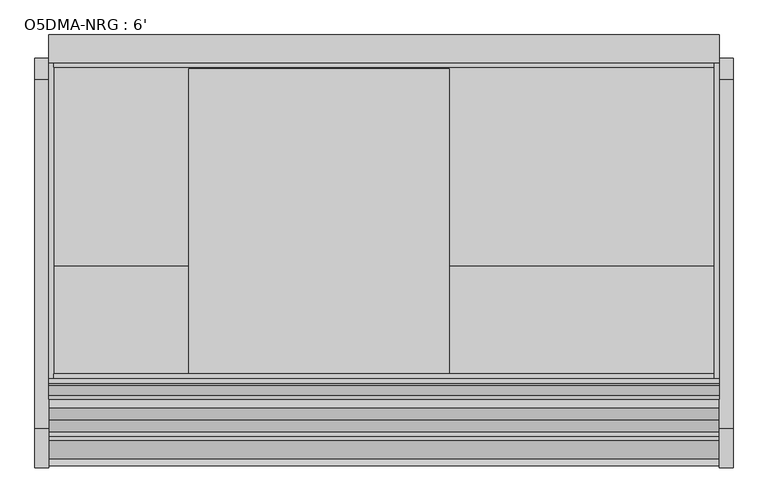
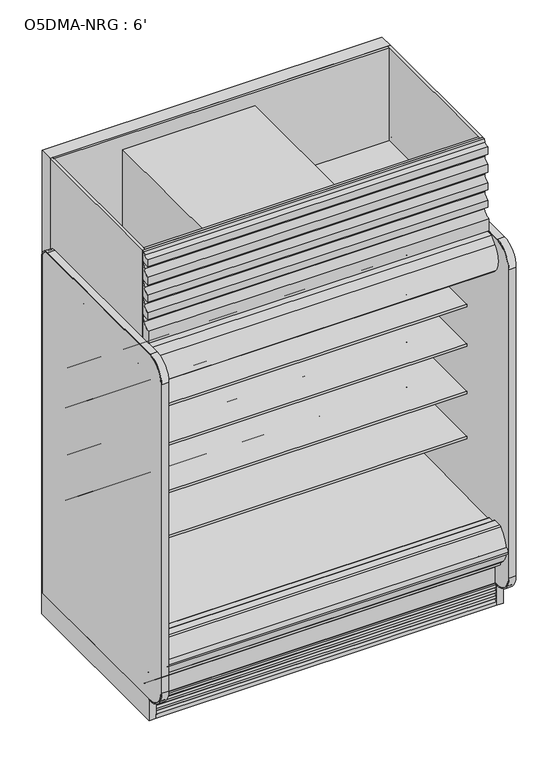
"""IFC4 building model written with IfcOpenShell, lengths in millimetres: proxy geometry, O5DMA-NRG : 6'."""

from ifc_helpers import new_model, si_unit, point, frame, frame_2d, origin, origin_with_axes, place, context, project, spatial, polyline, circle_curve, trimmed, segment, composite_curve, outline, extrude, source, transform, mapped, element, save
from ifc_brep_helpers import plane_surface, cylinder_surface, revolved_surface, advanced_brep


def o5dma_nrg_6_f7cb6055(model_context):
    return source(origin(), model_context, "Body", "SolidModel", [
        extrude(outline(composite_curve([segment(polyline([(-1263.6866217, 2085.9118693), (-1318.6996994, 2085.9118693), (-1318.6996994, 2154.4143683)]), True, "CONTINUOUS"), segment(trimmed(circle_curve(frame_2d((-1319.6860573, 2197.5880723)), 43.1849699), [point((-1318.6996994, 2154.4143683))], [point((-1278.4754826, 2184.6795423))], True, "CARTESIAN"), True, "CONTINUOUS"), segment(polyline([(-1278.4754826, 2184.6795423), (-1268.454686, 2220.5791394), (-1302.3579387, 2213.7016488), (-1308.8711502, 2213.7016488), (-1308.8711502, 2254.1281122)]), True, "CONTINUOUS"), segment(trimmed(circle_curve(frame_2d((-1322.8567475, 2297.2085177)), 45.2936891), [point((-1308.8711502, 2254.1281122))], [point((-1279.6211841, 2283.7102095))], True, "CARTESIAN"), True, "CONTINUOUS"), segment(polyline([(-1279.6211841, 2283.7102095), (-1268.454686, 2319.2947996), (-1302.3579387, 2312.4173089), (-1308.7129688, 2312.4173089), (-1308.7129688, 2352.8952074)]), True, "CONTINUOUS"), segment(trimmed(circle_curve(frame_2d((-1323.0244337, 2396.1573595)), 45.5678816), [point((-1308.7129688, 2352.8952074))], [point((-1279.5752621, 2382.4241398))], True, "CARTESIAN"), True, "CONTINUOUS"), segment(polyline([(-1279.5752621, 2382.4241398), (-1268.454686, 2417.6074274), (-1302.3579387, 2411.1335648), (-1308.7129688, 2411.1335648), (-1308.7129688, 2456.6217182)]), True, "CONTINUOUS"), segment(trimmed(circle_curve(frame_2d((-1323.0244337, 2499.8838703)), 45.5678816), [point((-1308.7129688, 2456.6217182))], [point((-1279.5752621, 2486.1506506))], True, "CARTESIAN"), True, "CONTINUOUS"), segment(polyline([(-1279.5752621, 2486.1506506), (-1268.454686, 2521.3339382), (-1302.3579387, 2514.8600756), (-1308.7129688, 2514.8600756), (-1308.7129688, 2555.3379741)]), True, "CONTINUOUS"), segment(trimmed(circle_curve(frame_2d((-1306.8077518, 2590.2849342)), 34.9988553), [point((-1308.7129688, 2555.3379741))], [point((-1281.9927789, 2565.6042334))], True, "CARTESIAN"), True, "CONTINUOUS"), segment(polyline([(-1281.9927789, 2565.6042334), (-1277.4161637, 2582.0), (-1263.6866217, 2582.0), (-1263.6866217, 2085.9118693)]), True, "CONTINUOUS")], self_intersect=False)), frame((0.0, 0.0, 0.0), z_axis=(1.0, 0.0, 0.0), x_axis=(0.0, 1.0, 0.0)), (0.0, 0.0, 1.0), 1828.8),
        extrude(outline(polyline([(245.4971536, -595.3134422), (245.4971536, -709.6134422), (67.6971536, -709.6134422), (67.6971536, -595.3134422), (245.4971536, -595.3134422)])), frame((0.0, 0.0, 68.5310382), z_axis=(0.0, 0.0, 1.0), x_axis=(1.0, 0.0, 0.0)), (0.0, 0.0, 1.0), 6.35),
        extrude(outline(polyline([(1828.8, -325.3089273), (1828.8, -401.5089273), (0.0, -401.5089273), (0.0, -325.3089273), (1828.8, -325.3089273)])), frame((0.0, 0.0, 206.450819), z_axis=(0.0, 0.0, 1.0), x_axis=(1.0, 0.0, 0.0)), (0.0, 0.0, 1.0), 2375.549181),
        extrude(outline(polyline([(-401.5089273, 2053.8264246), (-955.9036792, 2053.8264246), (-955.9036792, 2075.2), (-1263.6866217, 2075.2), (-1263.6866217, 2582.0), (-401.5089273, 2582.0), (-401.5089273, 2053.8264246)])), frame((1816.1, 0.0, 0.0), z_axis=(1.0, 0.0, 0.0), x_axis=(0.0, 1.0, 0.0)), (0.0, 0.0, 1.0), 12.7),
        extrude(outline(polyline([(1816.1, -401.5089273), (1816.1, -414.2089273), (12.7, -414.2089273), (12.7, -401.5089273), (1816.1, -401.5089273)])), frame((0.0, 0.0, 2053.8264246), z_axis=(0.0, 0.0, 1.0), x_axis=(1.0, 0.0, 0.0)), (0.0, 0.0, 1.0), 528.1735754),
        extrude(outline(polyline([(1816.1, -1249.5614572), (1816.1, -1263.6866217), (12.7, -1263.6866217), (12.7, -1249.5614572), (1816.1, -1249.5614572)])), frame((0.0, 0.0, 2075.2), z_axis=(0.0, 0.0, 1.0), x_axis=(1.0, 0.0, 0.0)), (0.0, 0.0, 1.0), 506.8),
        extrude(outline(polyline([(-401.5089273, 2053.8264246), (-955.9242099, 2053.8264246), (-955.9242099, 2075.2), (-1263.6866217, 2075.2), (-1263.6866217, 2582.0), (-401.5089273, 2582.0), (-401.5089273, 2053.8264246)])), frame((0.0, 0.0, 0.0), z_axis=(1.0, 0.0, 0.0), x_axis=(0.0, 1.0, 0.0)), (0.0, 0.0, 1.0), 12.7),
        extrude(outline(composite_curve([segment(polyline([(-504.9331995, 794.189381), (-504.9331995, 719.0883547), (-528.313746, 719.0883547)]), True, "CONTINUOUS"), segment(trimmed(circle_curve(frame_2d((-528.7455821, 744.4846835)), 25.4), [point((-528.313746, 719.0883547))], [point((-544.7229383, 724.7392008))], False, "CARTESIAN"), True, "CONTINUOUS"), segment(polyline([(-544.7229383, 724.7392008), (-562.5749995, 739.1844663)]), True, "CONTINUOUS"), segment(trimmed(circle_curve(frame_2d((-602.5183901, 689.8207596)), 63.5), [point((-562.5749995, 739.1844663))], [point((-594.6205089, 752.8276915))], True, "CARTESIAN"), True, "CONTINUOUS"), segment(polyline([(-594.6205089, 752.8276915), (-869.1842482, 776.5248289), (-870.6730247, 779.965381), (-1114.4144075, 779.965381), (-1114.4144075, 794.189381), (-504.9331995, 794.189381)]), True, "CONTINUOUS")], self_intersect=False)), frame((0.0, 0.0, 0.0), z_axis=(1.0, 0.0, 0.0), x_axis=(0.0, 1.0, 0.0)), (0.0, 0.0, 1.0), 1828.8),
        extrude(outline(composite_curve([segment(polyline([(-504.9331995, 1049.544493), (-504.9331995, 974.4434667), (-528.313746, 974.4434667)]), True, "CONTINUOUS"), segment(trimmed(circle_curve(frame_2d((-528.7455821, 999.8397955)), 25.4), [point((-528.313746, 974.4434667))], [point((-544.7229383, 980.0943128))], False, "CARTESIAN"), True, "CONTINUOUS"), segment(polyline([(-544.7229383, 980.0943128), (-562.5749995, 994.5395783)]), True, "CONTINUOUS"), segment(trimmed(circle_curve(frame_2d((-602.5183901, 945.1758716)), 63.5), [point((-562.5749995, 994.5395783))], [point((-594.6205089, 1008.1828035))], True, "CARTESIAN"), True, "CONTINUOUS"), segment(polyline([(-594.6205089, 1008.1828035), (-869.1842482, 1031.8799409), (-870.6730247, 1035.320493), (-1114.4144075, 1035.320493), (-1114.4144075, 1049.544493), (-504.9331995, 1049.544493)]), True, "CONTINUOUS")], self_intersect=False)), frame((0.0, 0.0, 0.0), z_axis=(1.0, 0.0, 0.0), x_axis=(0.0, 1.0, 0.0)), (0.0, 0.0, 1.0), 1828.8),
        extrude(outline(composite_curve([segment(polyline([(-504.9331995, 1319.5585779), (-504.9331995, 1244.4575515), (-528.313746, 1244.4575515)]), True, "CONTINUOUS"), segment(trimmed(circle_curve(frame_2d((-528.7455821, 1269.8538803)), 25.4), [point((-528.313746, 1244.4575515))], [point((-544.7229383, 1250.1083976))], False, "CARTESIAN"), True, "CONTINUOUS"), segment(polyline([(-544.7229383, 1250.1083976), (-562.5749995, 1264.5536632)]), True, "CONTINUOUS"), segment(trimmed(circle_curve(frame_2d((-602.5183901, 1215.1899564)), 63.5), [point((-562.5749995, 1264.5536632))], [point((-594.6205089, 1278.1968884))], True, "CARTESIAN"), True, "CONTINUOUS"), segment(polyline([(-594.6205089, 1278.1968884), (-869.1842482, 1301.8940258), (-870.6730247, 1305.3345779), (-1114.4144075, 1305.3345779), (-1114.4144075, 1319.5585779), (-504.9331995, 1319.5585779)]), True, "CONTINUOUS")], self_intersect=False)), frame((0.0, 0.0, 0.0), z_axis=(1.0, 0.0, 0.0), x_axis=(0.0, 1.0, 0.0)), (0.0, 0.0, 1.0), 1828.8),
        extrude(outline(polyline([(-819.1925954, 1873.7130953), (-820.7483185, 1873.3970543), (-824.056726, 1889.6828121), (-824.056726, 1949.6779319), (-754.206726, 1949.6779319), (-754.206726, 1948.4203121), (-766.112976, 1948.4203121), (-801.831726, 1924.6078121), (-801.831726, 1948.4203121), (-822.469226, 1948.4203121), (-822.469226, 1889.8424301), (-819.1925954, 1873.7130953)])), frame((0.0, 0.0, 0.0), z_axis=(1.0, 0.0, 0.0), x_axis=(0.0, 1.0, 0.0)), (0.0, 0.0, 1.0), 1828.8),
        extrude(outline(composite_curve([segment(trimmed(circle_curve(frame_2d((-774.1696558, 1920.6997366)), 14.2875), [point((-788.4571558, 1920.6997366))], [point((-759.8821558, 1920.6997366))], False, "CARTESIAN"), True, "CONTINUOUS"), segment(trimmed(circle_curve(frame_2d((-774.1696558, 1920.6997366)), 14.2875), [point((-759.8821558, 1920.6997366))], [point((-788.4571558, 1920.6997366))], False, "CARTESIAN"), True, "CONTINUOUS")], self_intersect=False)), frame((0.0, 0.0, 0.0), z_axis=(1.0, 0.0, 0.0), x_axis=(0.0, 1.0, 0.0)), (0.0, 0.0, 1.0), 1828.8),
        extrude(outline(polyline([(0.0, -6.35), (0.0, 0.0), (1828.8, 0.0), (1828.8, -6.35), (0.0, -6.35)])), frame((1828.8, -524.3976265, 1670.2859362), z_axis=(0.0, -0.580702955710887, 0.8141155183563569), x_axis=(-1.0, 0.0, 0.0)), (0.0, 0.0, 1.0), 300.455534),
        extrude(outline(composite_curve([segment(trimmed(circle_curve(frame_2d((-507.6345065, 1656.5706649)), 2.8575), [point((-504.9331995, 1655.6388672))], [point((-506.5179923, 1653.9403223))], False, "CARTESIAN"), True, "CONTINUOUS"), segment(polyline([(-506.5179923, 1653.9403223), (-515.6142737, 1650.0791799)]), True, "CONTINUOUS"), segment(trimmed(circle_curve(frame_2d((-516.7307879, 1652.7095225)), 2.8575), [point((-515.6142737, 1650.0791799))], [point((-519.2768391, 1651.4122447))], False, "CARTESIAN"), True, "CONTINUOUS"), segment(polyline([(-519.2768391, 1651.4122447), (-527.2046481, 1666.971446)]), True, "CONTINUOUS"), segment(trimmed(circle_curve(frame_2d((-526.0730698, 1667.5480139)), 1.27), [point((-527.2046481, 1666.971446))], [point((-526.6496378, 1668.6795922))], False, "CARTESIAN"), True, "CONTINUOUS"), segment(polyline([(-526.6496378, 1668.6795922), (-519.227993, 1673.9734), (-507.4434516, 1657.4520824), (-506.0470065, 1656.5706649), (-506.0470065, 1694.6699147), (-504.9331995, 1694.6699147), (-504.9331995, 1655.6388672)]), True, "CONTINUOUS")], self_intersect=False)), frame((0.0, 0.0, 0.0), z_axis=(1.0, 0.0, 0.0), x_axis=(0.0, 1.0, 0.0)), (0.0, 0.0, 1.0), 1828.8),
        extrude(outline(composite_curve([segment(polyline([(-696.8626604, 1923.0080191), (-693.7034096, 1918.5789129), (-698.8730432, 1914.8914491), (-701.4750016, 1914.0888217)]), True, "CONTINUOUS"), segment(trimmed(circle_curve(frame_2d((-702.1352778, 1916.2293059)), 2.2400083), [point((-701.4750016, 1914.0888217))], [point((-703.3202525, 1914.3283924))], False, "CARTESIAN"), True, "CONTINUOUS"), segment(polyline([(-703.3202525, 1914.3283924), (-727.3498745, 1948.0166799), (-743.2248745, 1948.0166799), (-743.2248745, 1949.6779319), (-726.9748589, 1949.6779319), (-714.1682492, 1931.7237274), (-704.480356, 1938.6340345)]), True, "CONTINUOUS"), segment(trimmed(circle_curve(frame_2d((-703.7428632, 1937.6001078)), 1.27), [point((-704.480356, 1938.6340345))], [point((-702.7089365, 1938.3376005))], False, "CARTESIAN"), True, "CONTINUOUS"), segment(polyline([(-702.7089365, 1938.3376005), (-693.4902771, 1925.4135167), (-696.8626604, 1923.0080191)]), True, "CONTINUOUS")], self_intersect=False)), frame((0.0, 0.0, 0.0), z_axis=(1.0, 0.0, 0.0), x_axis=(0.0, 1.0, 0.0)), (0.0, 0.0, 1.0), 1828.8),
        extrude(outline(composite_curve([segment(trimmed(circle_curve(frame_2d((368.3, 1749.2090336)), 12.7), [point((368.3, 1761.9090336))], [point((368.3, 1736.5090336))], False, "CARTESIAN"), True, "CONTINUOUS"), segment(trimmed(circle_curve(frame_2d((368.3, 1749.2090336)), 12.7), [point((368.3, 1736.5090336))], [point((368.3, 1761.9090336))], False, "CARTESIAN"), True, "CONTINUOUS")], self_intersect=False)), frame((0.0, -447.5561252, 0.0), z_axis=(0.0, 1.0, 0.0), x_axis=(0.0, 0.0, 1.0)), (0.0, 0.0, 1.0), 52.3971979),
        extrude(outline(composite_curve([segment(trimmed(circle_curve(frame_2d((368.3, 1710.7972115)), 9.525), [point((368.3, 1720.3222115))], [point((368.3, 1701.2722115))], False, "CARTESIAN"), True, "CONTINUOUS"), segment(trimmed(circle_curve(frame_2d((368.3, 1710.7972115)), 9.525), [point((368.3, 1701.2722115))], [point((368.3, 1720.3222115))], False, "CARTESIAN"), True, "CONTINUOUS")], self_intersect=False)), frame((0.0, -447.5561252, 0.0), z_axis=(0.0, 1.0, 0.0), x_axis=(0.0, 0.0, 1.0)), (0.0, 0.0, 1.0), 52.3971979),
        extrude(outline(composite_curve([segment(polyline([(-451.7851762, 2003.6360246), (-451.7851762, 404.745884), (-504.9331995, 404.745884), (-504.9331995, 1926.7316344)]), True, "CONTINUOUS"), segment(trimmed(circle_curve(frame_2d((-530.2144075, 1924.2779595)), 25.4), [point((-504.9331995, 1926.7316344))], [point((-530.1770065, 1949.6779319))], True, "CARTESIAN"), True, "CONTINUOUS"), segment(polyline([(-530.1770065, 1949.6779319), (-1114.9745421, 1949.6779319), (-1114.9745421, 1914.2218291)]), True, "CONTINUOUS"), segment(trimmed(circle_curve(frame_2d((-1117.196833, 1914.2218291)), 2.2222909), [point((-1114.9745421, 1914.2218291))], [point((-1117.196833, 1911.9995382))], False, "CARTESIAN"), True, "CONTINUOUS"), segment(polyline([(-1117.196833, 1911.9995382), (-1126.6611644, 1911.9995382)]), True, "CONTINUOUS"), segment(trimmed(circle_curve(frame_2d((-1126.6611644, 1912.3170382)), 0.3175), [point((-1126.6611644, 1911.9995382))], [point((-1126.6611644, 1912.6345382))], False, "CARTESIAN"), True, "CONTINUOUS"), segment(polyline([(-1126.6611644, 1912.6345382), (-1117.1970421, 1912.6345382)]), True, "CONTINUOUS"), segment(trimmed(circle_curve(frame_2d((-1117.1970421, 1914.2220382)), 1.5875), [point((-1117.1970421, 1912.6345382))], [point((-1115.6095421, 1914.2220382))], True, "CARTESIAN"), True, "CONTINUOUS"), segment(polyline([(-1115.6095421, 1914.2220382), (-1115.6095421, 1942.4487846), (-1220.1998155, 1942.4487846), (-1220.1998155, 1914.2220382)]), True, "CONTINUOUS"), segment(trimmed(circle_curve(frame_2d((-1218.6123155, 1914.2220382)), 1.5875), [point((-1220.1998155, 1914.2220382))], [point((-1218.6123155, 1912.6345382))], True, "CARTESIAN"), True, "CONTINUOUS"), segment(polyline([(-1218.6123155, 1912.6345382), (-1209.9959099, 1912.6345382)]), True, "CONTINUOUS"), segment(trimmed(circle_curve(frame_2d((-1209.9959099, 1912.3170382)), 0.3175), [point((-1209.9959099, 1912.6345382))], [point((-1209.9959099, 1911.9995382))], False, "CARTESIAN"), True, "CONTINUOUS"), segment(polyline([(-1209.9959099, 1911.9995382), (-1218.6125246, 1911.9995382)]), True, "CONTINUOUS"), segment(trimmed(circle_curve(frame_2d((-1218.6125246, 1914.2218291)), 2.2222909), [point((-1218.6125246, 1911.9995382))], [point((-1220.8348155, 1914.2220382))], False, "CARTESIAN"), True, "CONTINUOUS"), segment(polyline([(-1220.8348155, 1914.2220382), (-1220.8264025, 2003.6360246), (-451.7851762, 2003.6360246)]), True, "CONTINUOUS")], self_intersect=False)), frame((0.0, 0.0, 0.0), z_axis=(1.0, 0.0, 0.0), x_axis=(0.0, 1.0, 0.0)), (0.0, 0.0, 1.0), 1828.8),
        advanced_brep(
        [(1828.8, -1428.7889874, 391.24255), (1828.8, -1428.7889874, 254.2724833), (1828.8, -1275.0830824, 130.175), (1828.8, -401.5089273, 130.175), (1828.8, -401.5089273, 2053.8264246), (1828.8, -1260.1538424, 2053.8264246), (1828.8, -1260.1538424, 2003.6360246), (1828.8, -451.7851762, 2003.6360246), (1828.8, -451.7851762, 363.9695251), (1828.8, -599.5014929, 211.662363), (1828.8, -1043.5931205, 195.6779213), (1828.8, -1096.7050237, 157.095884), (1828.8, -1163.5210307, 157.095884), (1828.8, -1221.5656168, 189.2720563), (1828.8, -1379.2843872, 341.5792153), (1828.8, -1379.2843872, 391.24255), (0.0, -1428.7889874, 391.24255), (0.0, -1379.2843872, 391.24255), (0.0, -1379.2843872, 341.5792153), (0.0, -1221.5656168, 189.2720563), (0.0, -1163.5210307, 157.095884), (0.0, -1096.7050237, 157.095884), (0.0, -1043.5931205, 195.6779213), (0.0, -599.5014929, 211.662363), (0.0, -451.7851762, 363.9695251), (0.0, -451.7851762, 2003.6360246), (0.0, -1260.1538424, 2003.6360246), (0.0, -1260.1538424, 2053.8264246), (0.0, -401.5089273, 2053.8264246), (0.0, -401.5089273, 130.175), (0.0, -1275.0830824, 130.175), (0.0, -1428.7889874, 254.2724833), (1727.2, -401.5089273, 317.5), (1727.2, -401.5089273, 419.1), (1727.2, -447.5561252, 317.5), (1727.2, -447.5561252, 419.1)],
        [
            (0, 1),
            (1, 2),
            (2, 3),
            (3, 4),
            (4, 5),
            (5, 6),
            (6, 7),
            (7, 8),
            (8, 9, circle_curve(frame((1828.8, -605.0132276, 364.7934683), z_axis=(-1.0, 0.0, 0.0), x_axis=(0.0, 1.0, 0.0)), 153.2302667)),
            (9, 10),
            (10, 11),
            (11, 12),
            (12, 13),
            (13, 14, circle_curve(frame((1828.8, -1226.8843872, 341.5792153), z_axis=(-1.0, 0.0, 0.0), x_axis=(0.0, 1.0, 0.0)), 152.4)),
            (14, 15),
            (15, 0),
            (16, 17),
            (17, 18),
            (18, 19, circle_curve(frame((0.0, -1226.8843872, 341.5792153), z_axis=(1.0, 0.0, 0.0), x_axis=(0.0, 1.0, 0.0)), 152.4)),
            (19, 20),
            (20, 21),
            (21, 22),
            (22, 23),
            (23, 24, circle_curve(frame((0.0, -605.0132276, 364.7934683), z_axis=(1.0, 0.0, 0.0), x_axis=(0.0, 1.0, 0.0)), 153.2302667)),
            (24, 25),
            (25, 26),
            (26, 27),
            (27, 28),
            (28, 29),
            (29, 30),
            (30, 31),
            (31, 16),
            (0, 16),
            (31, 1),
            (30, 2),
            (29, 3),
            (28, 4),
            (32, 33, circle_curve(frame((1727.2, -401.5089273, 368.3), z_axis=(0.0, -1.0, 0.0), x_axis=(0.0, 0.0, 1.0)), 50.8)),
            (33, 32, circle_curve(frame((1727.2, -401.5089273, 368.3), z_axis=(0.0, -1.0, 0.0), x_axis=(0.0, 0.0, 1.0)), 50.8)),
            (27, 5),
            (26, 6),
            (25, 7),
            (24, 8),
            (23, 9),
            (22, 10),
            (21, 11),
            (20, 12),
            (19, 13),
            (18, 14),
            (17, 15),
            (34, 35, circle_curve(frame((1727.2, -447.5561252, 368.3), z_axis=(0.0, 1.0, 0.0), x_axis=(0.0, 0.0, 1.0)), 50.8)),
            (35, 34, circle_curve(frame((1727.2, -447.5561252, 368.3), z_axis=(0.0, 1.0, 0.0), x_axis=(0.0, 0.0, 1.0)), 50.8)),
            (35, 33),
            (32, 34),
        ],
        [
            plane_surface(frame((1828.8, -1428.7889874, 254.2724833), z_axis=(1.0, 0.0, 0.0), x_axis=(0.0, 0.0, -1.0))),
            plane_surface(frame((0.0, -1428.7889874, 254.2724833), z_axis=(-1.0, 0.0, 0.0), x_axis=(0.0, 0.0, 1.0))),
            plane_surface(frame((1828.8, -1428.7889874, 391.24255), z_axis=(0.0, -1.0, 0.0), x_axis=(-1.0, 0.0, 0.0))),
            plane_surface(frame((1828.8, -1428.7889874, 254.2724833), z_axis=(0.0, -0.6281851642637378, -0.7780638787393622), x_axis=(-1.0, 0.0, 0.0))),
            plane_surface(frame((1828.8, -1275.0830824, 130.175), z_axis=(0.0, 0.0, -1.0), x_axis=(-1.0, 0.0, 0.0))),
            plane_surface(frame((1828.8, -401.5089273, 130.175), z_axis=(0.0, 1.0, 0.0), x_axis=(-1.0, 0.0, 0.0))),
            plane_surface(frame((1828.8, -401.5089273, 2053.8264246), z_axis=(0.0, 0.0, 1.0), x_axis=(-1.0, 0.0, 0.0))),
            plane_surface(frame((1828.8, -1260.1538424, 2053.8264246), z_axis=(0.0, -1.0, 0.0), x_axis=(-1.0, 0.0, 0.0))),
            plane_surface(frame((1828.8, -1260.1538424, 2003.6360246), z_axis=(0.0, 0.0, -1.0), x_axis=(-1.0, 0.0, 0.0))),
            plane_surface(frame((1828.8, -451.7851762, 2003.6360246), z_axis=(0.0, -1.0, 0.0), x_axis=(-1.0, 0.0, 0.0))),
            revolved_surface(polyline([(0.0, -451.78296090000003, 364.7934683), (1828.8, -451.78296090000003, 364.7934683)]), (0.0, -605.0132276, 364.7934683), (-1.0, 0.0, 0.0)),
            plane_surface(frame((1828.8, -599.5014929, 211.662363), z_axis=(0.0, -0.035970274152171335, 0.9993528602938092), x_axis=(-1.0, 0.0, 0.0))),
            plane_surface(frame((1828.8, -1043.5931205, 195.6779213), z_axis=(0.0, -0.5877252382160976, 0.8090605937529224), x_axis=(-1.0, 0.0, 0.0))),
            plane_surface(frame((1828.8, -1096.7050237, 157.095884), z_axis=(0.0, 0.0, 1.0), x_axis=(-1.0, 0.0, 0.0))),
            plane_surface(frame((1828.8, -1163.5210307, 157.095884), z_axis=(0.0, 0.48482728759131516, 0.8746099137368889), x_axis=(-1.0, 0.0, 0.0))),
            revolved_surface(polyline([(0.0, -1074.4843872, 341.5792153), (1828.8, -1074.4843872, 341.5792153)]), (0.0, -1226.8843872, 341.5792153), (-1.0, 0.0, 0.0)),
            plane_surface(frame((1828.8, -1379.2843872, 341.5792153), z_axis=(0.0, 1.0, 0.0), x_axis=(-1.0, 0.0, 0.0))),
            plane_surface(frame((1828.8, -1379.2843872, 391.24255), z_axis=(0.0, 0.0, 1.0), x_axis=(-1.0, 0.0, 0.0))),
            plane_surface(frame((1727.2, -447.5561252, 419.1), z_axis=(0.0, 1.0, 0.0), x_axis=(-1.0, 0.0, 0.0))),
            revolved_surface(polyline([(1727.2, -447.5561252, 419.1), (1727.2, -401.5089273, 419.1)]), (1727.2, -401.5089273, 368.3), (0.0, -1.0, 0.0)),
        ],
        [
            (0, [[1, 2, 3, 4, 5, 6, 7, 8, 9, 10, 11, 12, 13, 14, 15, 16]]),
            (1, [[17, 18, 19, 20, 21, 22, 23, 24, 25, 26, 27, 28, 29, 30, 31, 32]]),
            (2, [[-1, 33, -32, 34]]),
            (3, [[-2, -34, -31, 35]]),
            (4, [[-3, -35, -30, 36]]),
            (5, [[-4, -36, -29, 37], [38, 39]]),
            (6, [[-5, -37, -28, 40]]),
            (7, [[-6, -40, -27, 41]]),
            (8, [[-7, -41, -26, 42]]),
            (9, [[-8, -42, -25, 43]]),
            (10, [[-9, -43, -24, 44]]),
            (11, [[-10, -44, -23, 45]]),
            (12, [[-11, -45, -22, 46]]),
            (13, [[-12, -46, -21, 47]]),
            (14, [[-13, -47, -20, 48]]),
            (15, [[-14, -48, -19, 49]]),
            (16, [[-15, -49, -18, 50]]),
            (17, [[-16, -50, -17, -33]]),
            (18, [[51, 52]]),
            (19, [[-52, 53, -38, 54]]),
            (19, [[-51, -54, -39, -53]]),
        ],
    ),
        advanced_brep(
        [(1828.8, -1221.5656168, 189.2720563), (1828.8, -1163.5210307, 157.095884), (1828.8, -1096.7050237, 157.095884), (1828.8, -1043.5931205, 195.6779213), (1828.8, -599.5014929, 211.662363), (1828.8, -451.7851762, 363.9695251), (1828.8, -451.7851762, 404.745884), (1828.8, -504.9543965, 404.745884), (1828.8, -504.9543965, 468.8781737), (1828.8, -516.6398058, 457.951581), (1828.8, -611.5826347, 451.2993262), (1828.8, -611.5826347, 459.5548668), (1828.8, -1317.6144075, 447.2310363), (1828.8, -1317.6144075, 451.8697146), (1828.8, -1324.3287142, 459.701519), (1828.8, -1379.2843872, 459.701519), (1828.8, -1379.2843872, 341.5792153), (0.0, -1221.5656168, 189.2720563), (0.0, -1379.2843872, 341.5792153), (0.0, -1379.2843872, 459.701519), (0.0, -1324.3287142, 459.701519), (0.0, -1317.6144075, 451.8697146), (0.0, -1317.6144075, 447.2310363), (0.0, -611.5826347, 459.5548668), (0.0, -611.5826347, 451.2993262), (0.0, -516.6285003, 457.9391661), (0.0, -504.9543965, 468.8781737), (0.0, -504.9543965, 404.745884), (0.0, -451.7851762, 404.745884), (0.0, -451.7851762, 363.9695251), (0.0, -599.5014929, 211.662363), (0.0, -1043.5931205, 195.6779213), (0.0, -1096.7050237, 157.095884), (0.0, -1163.5210307, 157.095884)],
        [
            (0, 1),
            (1, 2),
            (2, 3),
            (3, 4),
            (4, 5, circle_curve(frame((1828.8, -605.0132276, 364.7934683), z_axis=(1.0, 0.0, 0.0), x_axis=(0.0, 1.0, 0.0)), 153.2302667)),
            (5, 6),
            (6, 7),
            (7, 8),
            (8, 9, circle_curve(frame((1828.8, -517.5249667, 470.6099714), z_axis=(-1.0, 0.0, 0.0), x_axis=(0.0, 1.0, 0.0)), 12.689301)),
            (9, 10),
            (10, 11),
            (11, 12),
            (12, 13),
            (13, 14, circle_curve(frame((1828.8, -1325.5392075, 451.8697146), z_axis=(1.0, 0.0, 0.0), x_axis=(0.0, 1.0, 0.0)), 7.9248)),
            (14, 15),
            (15, 16),
            (16, 0, circle_curve(frame((1828.8, -1226.8843872, 341.5792153), z_axis=(1.0, 0.0, 0.0), x_axis=(0.0, 1.0, 0.0)), 152.4)),
            (17, 18, circle_curve(frame((0.0, -1226.8843872, 341.5792153), z_axis=(-1.0, 0.0, 0.0), x_axis=(0.0, 1.0, 0.0)), 152.4)),
            (18, 19),
            (19, 20),
            (20, 21, circle_curve(frame((0.0, -1325.5392075, 451.8697146), z_axis=(-1.0, 0.0, 0.0), x_axis=(0.0, 1.0, 0.0)), 7.9248)),
            (21, 22),
            (22, 23),
            (23, 24),
            (24, 25),
            (25, 26, circle_curve(frame((0.0, -517.5249667, 470.6099714), z_axis=(1.0, 0.0, 0.0), x_axis=(0.0, 1.0, 0.0)), 12.689301)),
            (26, 27),
            (27, 28),
            (28, 29),
            (29, 30, circle_curve(frame((0.0, -605.0132276, 364.7934683), z_axis=(-1.0, 0.0, 0.0), x_axis=(0.0, 1.0, 0.0)), 153.2302667)),
            (30, 31),
            (31, 32),
            (32, 33),
            (33, 17),
            (15, 19),
            (18, 16),
            (17, 0),
            (33, 1),
            (32, 2),
            (31, 3),
            (30, 4),
            (29, 5),
            (28, 6),
            (27, 7),
            (26, 8),
            (25, 9),
            (24, 10),
            (23, 11),
            (22, 12),
            (14, 20),
            (21, 13),
        ],
        [
            plane_surface(frame((1828.8, -1221.5656168, 189.2720563), z_axis=(1.0, 0.0, 0.0), x_axis=(0.0, 0.8746099137368883, -0.48482728759131605))),
            plane_surface(frame((0.0, -1221.5656168, 189.2720563), z_axis=(-1.0, 0.0, 0.0), x_axis=(0.0, -0.8746099137368883, 0.48482728759131605))),
            plane_surface(frame((1828.8, -1379.2843872, 459.701519), z_axis=(0.0, -1.0, 0.0), x_axis=(-1.0, 0.0, 0.0))),
            cylinder_surface(frame((0.0, -1226.8843872, 341.5792153), z_axis=(1.0, 0.0, 0.0), x_axis=(0.0, 1.0, 0.0)), 152.4),
            plane_surface(frame((1828.8, -1221.5656168, 189.2720563), z_axis=(0.0, -0.48482728759131605, -0.8746099137368883), x_axis=(-1.0, 0.0, 0.0))),
            plane_surface(frame((1828.8, -1163.5210307, 157.095884), z_axis=(0.0, 0.0, -1.0), x_axis=(-1.0, 0.0, 0.0))),
            plane_surface(frame((1828.8, -1096.7050237, 157.095884), z_axis=(0.0, 0.5877252382160976, -0.8090605937529224), x_axis=(-1.0, 0.0, 0.0))),
            plane_surface(frame((1828.8, -1043.5931205, 195.6779213), z_axis=(0.0, 0.03597027415217135, -0.9993528602938092), x_axis=(-1.0, 0.0, 0.0))),
            cylinder_surface(frame((0.0, -605.0132276, 364.7934683), z_axis=(1.0, 0.0, 0.0), x_axis=(0.0, 1.0, 0.0)), 153.2302667),
            plane_surface(frame((1828.8, -451.7851762, 363.9695251), z_axis=(0.0, 1.0, 0.0), x_axis=(-1.0, 0.0, 0.0))),
            plane_surface(frame((1828.8, -451.7851762, 404.745884), z_axis=(0.0, 0.0, 1.0), x_axis=(-1.0, 0.0, 0.0))),
            plane_surface(frame((1828.8, -504.9543965, 404.745884), z_axis=(0.0, 1.0, 0.0), x_axis=(-1.0, 0.0, 0.0))),
            revolved_surface(polyline([(0.0, -504.83566570000005, 470.6099714), (1828.8, -504.83566570000005, 470.6099714)]), (0.0, -517.5249667, 470.6099714), (-1.0, 0.0, 0.0)),
            plane_surface(frame((1828.8, -516.6285003, 457.9391661), z_axis=(0.0, -0.06975647369769093, 0.9975640502630714), x_axis=(-1.0, 0.0, 0.0))),
            plane_surface(frame((1828.8, -611.5826347, 451.2993262), z_axis=(0.0, 1.0, 0.0), x_axis=(-1.0, 0.0, 0.0))),
            plane_surface(frame((1828.8, -611.5826347, 459.5548668), z_axis=(0.0, -0.0174524064372834, 0.9998476951563914), x_axis=(-1.0, 0.0, 0.0))),
            plane_surface(frame((1828.8, -1324.3287142, 459.701519), z_axis=(0.0, 0.0, 1.0), x_axis=(-1.0, 0.0, 0.0))),
            plane_surface(frame((1828.8, -1317.6144075, 447.2310363), z_axis=(0.0, 1.0, 0.0), x_axis=(-1.0, 0.0, 0.0))),
            cylinder_surface(frame((0.0, -1325.5392075, 451.8697146), z_axis=(1.0, 0.0, 0.0), x_axis=(0.0, 1.0, 0.0)), 7.9248),
        ],
        [
            (0, [[1, 2, 3, 4, 5, 6, 7, 8, 9, 10, 11, 12, 13, 14, 15, 16, 17]]),
            (1, [[18, 19, 20, 21, 22, 23, 24, 25, 26, 27, 28, 29, 30, 31, 32, 33, 34]]),
            (2, [[-16, 35, -19, 36]]),
            (3, [[-17, -36, -18, 37]]),
            (4, [[-1, -37, -34, 38]]),
            (5, [[-2, -38, -33, 39]]),
            (6, [[-3, -39, -32, 40]]),
            (7, [[-4, -40, -31, 41]]),
            (8, [[-5, -41, -30, 42]]),
            (9, [[-6, -42, -29, 43]]),
            (10, [[-7, -43, -28, 44]]),
            (11, [[-8, -44, -27, 45]]),
            (12, [[-9, -45, -26, 46]]),
            (13, [[-10, -46, -25, 47]]),
            (14, [[-11, -47, -24, 48]]),
            (15, [[-12, -48, -23, 49]]),
            (16, [[-15, 50, -20, -35]]),
            (17, [[-13, -49, -22, 51]]),
            (18, [[-14, -51, -21, -50]]),
        ],
    ),
        extrude(outline(composite_curve([segment(trimmed(circle_curve(frame_2d((914.4, -1128.5839273)), 38.1), [point((876.3, -1128.5839273))], [point((952.5, -1128.5839273))], False, "CARTESIAN"), True, "CONTINUOUS"), segment(trimmed(circle_curve(frame_2d((914.4, -1128.5839273)), 38.1), [point((952.5, -1128.5839273))], [point((876.3, -1128.5839273))], False, "CARTESIAN"), True, "CONTINUOUS")], self_intersect=False)), frame((0.0, 0.0, 66.7090149), z_axis=(0.0, 0.0, 1.0), x_axis=(1.0, 0.0, 0.0)), (0.0, 0.0, 1.0), 57.1159851),
        advanced_brep(
        [(1828.8, -401.5089273, 0.0), (1828.8, -401.5089273, 130.175), (1828.8, -1207.9589273, 130.175), (1828.8, -1207.9589273, 0.0), (1828.8, -1161.1594273, 0.0), (1828.8, -1161.1594273, 74.8810382), (1828.8, -446.7209273, 74.8810382), (1828.8, -446.7209273, 0.0), (0.0, -401.5089273, 0.0), (0.0, -446.7209273, 0.0), (0.0, -446.7209273, 74.8810382), (0.0, -1161.1594273, 74.8810382), (0.0, -1161.1594273, 0.0), (0.0, -1207.9589273, 0.0), (0.0, -1207.9589273, 130.175), (0.0, -401.5089273, 130.175), (875.4195331, -1161.1594273, 0.0), (953.3804669, -1161.1594273, 0.0), (953.3804669, -1161.1594273, 74.8810382), (875.4195331, -1161.1594273, 74.8810382), (965.2, -1128.5839273, 74.8810382), (863.6, -1128.5839273, 74.8810382), (863.6, -1128.5839273, 123.825), (965.2, -1128.5839273, 123.825)],
        [
            (0, 1),
            (1, 2),
            (2, 3),
            (3, 4),
            (4, 5),
            (5, 6),
            (6, 7),
            (7, 0),
            (8, 9),
            (9, 10),
            (10, 11),
            (11, 12),
            (12, 13),
            (13, 14),
            (14, 15),
            (15, 8),
            (0, 8),
            (15, 1),
            (14, 2),
            (13, 3),
            (12, 16),
            (16, 17, circle_curve(frame((914.4, -1128.5839273, 0.0), z_axis=(0.0, 0.0, 1.0), x_axis=(1.0, 0.0, 0.0)), 50.8)),
            (17, 4),
            (17, 18),
            (18, 5),
            (11, 19),
            (19, 16),
            (18, 20, circle_curve(frame((914.4, -1128.5839273, 74.8810382), z_axis=(0.0, 0.0, 1.0), x_axis=(1.0, 0.0, 0.0)), 50.8)),
            (20, 21, circle_curve(frame((914.4, -1128.5839273, 74.8810382), z_axis=(0.0, 0.0, 1.0), x_axis=(1.0, 0.0, 0.0)), 50.8)),
            (21, 19, circle_curve(frame((914.4, -1128.5839273, 74.8810382), z_axis=(0.0, 0.0, 1.0), x_axis=(1.0, 0.0, 0.0)), 50.8)),
            (10, 6),
            (9, 7),
            (22, 23, circle_curve(frame((914.4, -1128.5839273, 123.825), z_axis=(0.0, 0.0, -1.0), x_axis=(1.0, 0.0, 0.0)), 50.8)),
            (23, 22, circle_curve(frame((914.4, -1128.5839273, 123.825), z_axis=(0.0, 0.0, -1.0), x_axis=(1.0, 0.0, 0.0)), 50.8)),
            (23, 20),
            (21, 22),
        ],
        [
            plane_surface(frame((1828.8, -401.5089273, 1893.5715584), z_axis=(1.0, 0.0, 0.0), x_axis=(0.0, 0.0, 1.0))),
            plane_surface(frame((0.0, -401.5089273, 1893.5715584), z_axis=(-1.0, 0.0, 0.0), x_axis=(0.0, 0.0, -1.0))),
            plane_surface(frame((1828.8, -401.5089273, 0.0), z_axis=(0.0, 1.0, 0.0), x_axis=(-1.0, 0.0, 0.0))),
            plane_surface(frame((1828.8, -401.5089273, 130.175), z_axis=(0.0, 0.0, 1.0), x_axis=(-1.0, 0.0, 0.0))),
            plane_surface(frame((1828.8, -1207.9589273, 130.175), z_axis=(0.0, -1.0, 0.0), x_axis=(-1.0, 0.0, 0.0))),
            plane_surface(frame((1828.8, -1207.9589273, 0.0), z_axis=(0.0, 0.0, -1.0), x_axis=(-1.0, 0.0, 0.0))),
            plane_surface(frame((1828.8, -1161.1594273, 0.0), z_axis=(0.0, 1.0, 0.0), x_axis=(-1.0, 0.0, 0.0))),
            plane_surface(frame((1828.8, -1161.1594273, 74.8810382), z_axis=(0.0, 0.0, -1.0), x_axis=(-1.0, 0.0, 0.0))),
            plane_surface(frame((1828.8, -446.7209273, 74.8810382), z_axis=(0.0, -1.0, 0.0), x_axis=(-1.0, 0.0, 0.0))),
            plane_surface(frame((1828.8, -446.7209273, 0.0), z_axis=(0.0, 0.0, -1.0), x_axis=(-1.0, 0.0, 0.0))),
            plane_surface(frame((965.2, -1128.5839273, 123.825), z_axis=(0.0, 0.0, -1.0), x_axis=(0.0, 1.0, 0.0))),
            revolved_surface(polyline([(965.1999999999999, -1128.5839273, 123.825), (965.1999999999999, -1128.5839273, 0.0)]), (914.4, -1128.5839273, 0.0), (0.0, 0.0, 1.0)),
            revolved_surface(polyline([(965.1999999999999, -1128.5839273, 123.825), (965.1999999999999, -1128.5839273, 74.8810382)]), (914.4, -1128.5839273, 0.0), (0.0, 0.0, 1.0)),
        ],
        [
            (0, [[1, 2, 3, 4, 5, 6, 7, 8]]),
            (1, [[9, 10, 11, 12, 13, 14, 15, 16]]),
            (2, [[-1, 17, -16, 18]]),
            (3, [[-2, -18, -15, 19]]),
            (4, [[-3, -19, -14, 20]]),
            (5, [[-4, -20, -13, 21, 22, 23]]),
            (6, [[-5, -23, 24, 25]]),
            (6, [[-12, 26, 27, -21]]),
            (7, [[-6, -25, 28, 29, 30, -26, -11, 31]]),
            (8, [[-7, -31, -10, 32]]),
            (9, [[-8, -32, -9, -17]]),
            (10, [[33, 34]]),
            (11, [[-34, 35, -28, -24, -22, -27, -30, 36]]),
            (12, [[-33, -36, -29, -35]]),
        ],
    ),
        extrude(outline(polyline([(1828.8, -1116.5701579), (1828.8, -1218.1701566), (0.0, -1218.1701566), (0.0, -1116.5701579), (1828.8, -1116.5701579)])), frame((0.0, 0.0, 1917.0487834), z_axis=(0.0, 0.0, 1.0), x_axis=(1.0, 0.0, 0.0)), (0.0, 0.0, 1.0), 25.4000011),
        extrude(outline(composite_curve([segment(polyline([(-1260.1538424, 2053.8264246), (-1260.1538424, 2003.6360246), (-1220.8264025, 2003.6360246), (-1220.8344922, 1917.6586919), (-1224.0993787, 1917.6586919), (-1267.3535045, 1944.5671584), (-1351.2398379, 1944.5671584), (-1356.6580659, 1915.1925269), (-1364.7530353, 1908.6350237), (-1366.511868, 1902.7826624), (-1372.4488058, 1893.5938836)]), True, "CONTINUOUS"), segment(trimmed(circle_curve(frame_2d((-1375.8465098, 1899.7176579)), 7.0032138), [point((-1372.4488058, 1893.5938836))], [point((-1381.0745434, 1895.0579725))], False, "CARTESIAN"), True, "CONTINUOUS"), segment(trimmed(circle_curve(frame_2d((-1302.2709587, 1965.2946894)), 105.5613631), [point((-1381.0745434, 1895.0579725))], [point((-1375.3239258, 2041.4948558))], False, "CARTESIAN"), True, "CONTINUOUS"), segment(trimmed(circle_curve(frame_2d((-1841.8678083, 2527.7369217)), 673.865373), [point((-1375.3239258, 2041.4948558))], [point((-1342.5634167, 2075.2))], True, "CARTESIAN"), True, "CONTINUOUS"), segment(polyline([(-1342.5634167, 2075.2), (-955.9242099, 2075.2), (-955.9242099, 2053.8264246), (-1260.1538424, 2053.8264246)]), True, "CONTINUOUS")], self_intersect=False)), frame((0.0, 0.0, 0.0), z_axis=(1.0, 0.0, 0.0), x_axis=(0.0, 1.0, 0.0)), (0.0, 0.0, 1.0), 1828.8),
        extrude(outline(composite_curve([segment(trimmed(circle_curve(frame_2d((-1283.5813717, 1926.408005)), 14.2875), [point((-1297.8688717, 1926.408005))], [point((-1269.2938717, 1926.408005))], False, "CARTESIAN"), True, "CONTINUOUS"), segment(trimmed(circle_curve(frame_2d((-1283.5813717, 1926.408005)), 14.2875), [point((-1269.2938717, 1926.408005))], [point((-1297.8688717, 1926.408005))], False, "CARTESIAN"), True, "CONTINUOUS")], self_intersect=False)), frame((0.0, 0.0, 0.0), z_axis=(1.0, 0.0, 0.0), x_axis=(0.0, 1.0, 0.0)), (0.0, 0.0, 1.0), 1828.8),
        extrude(outline(composite_curve([segment(trimmed(circle_curve(frame_2d((-1328.6626169, 1926.9342226)), 14.2875), [point((-1342.9501169, 1926.9342226))], [point((-1314.3751169, 1926.9342226))], False, "CARTESIAN"), True, "CONTINUOUS"), segment(trimmed(circle_curve(frame_2d((-1328.6626169, 1926.9342226)), 14.2875), [point((-1314.3751169, 1926.9342226))], [point((-1342.9501169, 1926.9342226))], False, "CARTESIAN"), True, "CONTINUOUS")], self_intersect=False)), frame((0.0, 0.0, 0.0), z_axis=(1.0, 0.0, 0.0), x_axis=(0.0, 1.0, 0.0)), (0.0, 0.0, 1.0), 1828.8),
        extrude(outline(composite_curve([segment(polyline([(-504.9331995, 1543.1704193), (-504.9331995, 1468.069393), (-528.313746, 1468.069393)]), True, "CONTINUOUS"), segment(trimmed(circle_curve(frame_2d((-528.7455821, 1493.4657218)), 25.4), [point((-528.313746, 1468.069393))], [point((-544.7229383, 1473.7202391))], False, "CARTESIAN"), True, "CONTINUOUS"), segment(polyline([(-544.7229383, 1473.7202391), (-562.5749995, 1488.1655047)]), True, "CONTINUOUS"), segment(trimmed(circle_curve(frame_2d((-602.5183901, 1438.8017979)), 63.5), [point((-562.5749995, 1488.1655047))], [point((-594.6205089, 1501.8087298))], True, "CARTESIAN"), True, "CONTINUOUS"), segment(polyline([(-594.6205089, 1501.8087298), (-869.1842482, 1525.5058672), (-870.6730247, 1528.9464193), (-1114.4144075, 1528.9464193), (-1114.4144075, 1543.1704193), (-504.9331995, 1543.1704193)]), True, "CONTINUOUS")], self_intersect=False)), frame((0.0, 0.0, 0.0), z_axis=(1.0, 0.0, 0.0), x_axis=(0.0, 1.0, 0.0)), (0.0, 0.0, 1.0), 1828.8),
        extrude(outline(composite_curve([segment(trimmed(circle_curve(frame_2d((-1483.0555665, 368.7711132)), 17.2640772), [point((-1500.3196437, 368.7711132))], [point((-1465.7914892, 368.7711132))], False, "CARTESIAN"), True, "CONTINUOUS"), segment(trimmed(circle_curve(frame_2d((-1483.0555665, 368.7711132)), 17.2640772), [point((-1465.7914892, 368.7711132))], [point((-1500.3196437, 368.7711132))], False, "CARTESIAN"), True, "CONTINUOUS")], self_intersect=False)), frame((0.0, 0.0, 0.0), z_axis=(1.0, 0.0, 0.0), x_axis=(0.0, 1.0, 0.0)), (0.0, 0.0, 1.0), 1828.8),
        extrude(outline(composite_curve([segment(polyline([(-1428.7889874, 391.24255), (-1428.7889874, 286.3557944), (-1448.5832193, 286.3557944)]), True, "CONTINUOUS"), segment(trimmed(circle_curve(frame_2d((-1447.7894533, 292.7232943)), 6.4167842), [point((-1448.5832193, 286.3557944))], [point((-1452.6005296, 288.4772768))], False, "CARTESIAN"), True, "CONTINUOUS"), segment(trimmed(circle_curve(frame_2d((-1357.5774057, 372.3399768)), 126.7373131), [point((-1452.6005296, 288.4772768))], [point((-1482.5942008, 351.5277814))], False, "CARTESIAN"), True, "CONTINUOUS"), segment(trimmed(circle_curve(frame_2d((-1483.15473, 368.7784027)), 17.2597256), [point((-1482.5942008, 351.5277814))], [point((-1482.5942919, 386.029027))], True, "CARTESIAN"), True, "CONTINUOUS"), segment(trimmed(circle_curve(frame_2d((-1310.4428876, 341.5685499)), 177.8), [point((-1482.5942919, 386.029027))], [point((-1431.2508221, 472.0226912))], False, "CARTESIAN"), True, "CONTINUOUS"), segment(trimmed(circle_curve(frame_2d((-1420.4643994, 460.375)), 15.875), [point((-1431.2508221, 472.0226912))], [point((-1420.4643994, 476.25))], False, "CARTESIAN"), True, "CONTINUOUS"), segment(polyline([(-1420.4643994, 476.25), (-1378.0463994, 476.25)]), True, "CONTINUOUS"), segment(trimmed(circle_curve(frame_2d((-1378.0463994, 473.075)), 3.175), [point((-1378.0463994, 476.25))], [point((-1374.8713994, 473.075))], False, "CARTESIAN"), True, "CONTINUOUS"), segment(polyline([(-1374.8713994, 473.075), (-1374.8713994, 459.701519), (-1379.2843872, 459.701519), (-1379.2843872, 391.24255), (-1428.7889874, 391.24255)]), True, "CONTINUOUS")], self_intersect=False)), frame((0.0, 0.0, 0.0), z_axis=(1.0, 0.0, 0.0), x_axis=(0.0, 1.0, 0.0)), (0.0, 0.0, 1.0), 1828.8),
        extrude(outline(composite_curve([segment(polyline([(-1369.8839273, 206.7143253), (-1369.8839273, 0.0), (-1388.9339273, 0.0), (-1388.9339273, 21.4927595)]), True, "CONTINUOUS"), segment(trimmed(circle_curve(frame_2d((-1389.2433986, 35.0385724)), 13.5493476), [point((-1388.9339273, 21.4927595))], [point((-1376.3135203, 30.9885022))], True, "CARTESIAN"), True, "CONTINUOUS"), segment(polyline([(-1376.3135203, 30.9885022), (-1373.1694807, 42.2520535), (-1383.8066759, 40.0942307), (-1385.8005759, 40.0942307), (-1385.8005759, 52.7942307)]), True, "CONTINUOUS"), segment(trimmed(circle_curve(frame_2d((-1390.2184437, 66.2963779)), 14.2065314), [point((-1385.8005759, 52.7942307))], [point((-1376.6585778, 62.0589765))], True, "CARTESIAN"), True, "CONTINUOUS"), segment(polyline([(-1376.6585778, 62.0589765), (-1373.1694807, 73.2242366), (-1383.8066759, 71.0664138), (-1385.8005759, 71.0664138), (-1385.8005759, 83.7664138)]), True, "CONTINUOUS"), segment(trimmed(circle_curve(frame_2d((-1390.290819, 97.3399774)), 14.2969897), [point((-1385.8005759, 83.7664138))], [point((-1376.6585778, 93.0311596))], True, "CARTESIAN"), True, "CONTINUOUS"), segment(polyline([(-1376.6585778, 93.0311596), (-1373.1694807, 104.0699677), (-1383.8066759, 102.0387838), (-1385.8005759, 102.0387838), (-1385.8005759, 114.7387838)]), True, "CONTINUOUS"), segment(trimmed(circle_curve(frame_2d((-1385.2028113, 125.7034438)), 10.9809422), [point((-1385.8005759, 114.7387838))], [point((-1377.4170772, 117.9598377))], True, "CARTESIAN"), True, "CONTINUOUS"), segment(polyline([(-1377.4170772, 117.9598377), (-1377.4170772, 121.5911682), (-1377.4170772, 212.796362), (-1369.8839273, 206.7143253)]), True, "CONTINUOUS")], self_intersect=False)), frame((0.0, 0.0, 0.0), z_axis=(1.0, 0.0, 0.0), x_axis=(0.0, 1.0, 0.0)), (0.0, 0.0, 1.0), 1828.8),
        extrude(outline(polyline([(-1207.9589273, 130.175), (-1207.9589273, 10.9768116), (-1369.8839273, 10.9768116), (-1369.8839273, 206.7143253), (-1275.0830824, 130.175), (-1207.9589273, 130.175)])), frame((0.0, 0.0, 0.0), z_axis=(1.0, 0.0, 0.0), x_axis=(0.0, 1.0, 0.0)), (0.0, 0.0, 1.0), 1828.8),
        extrude(outline(composite_curve([segment(polyline([(-1500.0589273, 225.425), (-1500.0589273, 1978.025)]), True, "CONTINUOUS"), segment(trimmed(circle_curve(frame_2d((-1398.4589273, 1978.025)), 101.6), [point((-1500.0589273, 1978.025))], [point((-1398.4589273, 2079.625))], False, "CARTESIAN"), True, "CONTINUOUS"), segment(polyline([(-1398.4589273, 2079.625), (-445.9589273, 2079.625)]), True, "CONTINUOUS"), segment(trimmed(circle_curve(frame_2d((-445.9589273, 2028.825)), 50.8), [point((-445.9589273, 2079.625))], [point((-395.1589273, 2028.825))], False, "CARTESIAN"), True, "CONTINUOUS"), segment(polyline([(-395.1589273, 2028.825), (-395.1589273, 123.825), (-1398.4589273, 123.825)]), True, "CONTINUOUS"), segment(trimmed(circle_curve(frame_2d((-1398.4589273, 225.425)), 101.6), [point((-1398.4589273, 123.825))], [point((-1500.0589273, 225.425))], False, "CARTESIAN"), True, "CONTINUOUS")], self_intersect=False)), frame((1828.8, 0.0, 0.0), z_axis=(1.0, 0.0, 0.0), x_axis=(0.0, 1.0, 0.0)), (0.0, 0.0, 1.0), 38.1),
        extrude(outline(composite_curve([segment(trimmed(circle_curve(frame_2d((-1398.4589273, 225.425)), 101.6), [point((-1500.0589273, 225.425))], [point((-1398.4589273, 123.825))], True, "CARTESIAN"), True, "CONTINUOUS"), segment(polyline([(-1398.4589273, 123.825), (-1388.9339273, 123.825), (-1388.9339273, 117.8960417)]), True, "CONTINUOUS"), segment(trimmed(circle_curve(frame_2d((-1398.0513921, 225.6230886)), 108.1121862), [point((-1388.9339273, 117.8960417))], [point((-1506.1635784, 225.6230886))], False, "CARTESIAN"), True, "CONTINUOUS"), segment(polyline([(-1506.1635784, 225.6230886), (-1506.1635784, 1978.061088)]), True, "CONTINUOUS"), segment(trimmed(circle_curve(frame_2d((-1398.3127971, 1978.061088)), 107.8507812), [point((-1506.1635784, 1978.061088))], [point((-1398.3127971, 2085.9118693))], False, "CARTESIAN"), True, "CONTINUOUS"), segment(polyline([(-1398.3127971, 2085.9118693), (-445.947449, 2085.9118693)]), True, "CONTINUOUS"), segment(trimmed(circle_curve(frame_2d((-445.947449, 2028.7963042)), 57.1155651), [point((-445.947449, 2085.9118693))], [point((-388.8318839, 2028.7963042))], False, "CARTESIAN"), True, "CONTINUOUS"), segment(polyline([(-388.8318839, 2028.7963042), (-388.8318839, 123.825), (-395.1589273, 123.825), (-395.1589273, 2028.825)]), True, "CONTINUOUS"), segment(trimmed(circle_curve(frame_2d((-445.9589273, 2028.825)), 50.8), [point((-395.1589273, 2028.825))], [point((-445.9589273, 2079.625))], True, "CARTESIAN"), True, "CONTINUOUS"), segment(polyline([(-445.9589273, 2079.625), (-1398.4589273, 2079.625)]), True, "CONTINUOUS"), segment(trimmed(circle_curve(frame_2d((-1398.4589273, 1978.025)), 101.6), [point((-1398.4589273, 2079.625))], [point((-1500.0589273, 1978.025))], True, "CARTESIAN"), True, "CONTINUOUS"), segment(polyline([(-1500.0589273, 1978.025), (-1500.0589273, 225.425)]), True, "CONTINUOUS")], self_intersect=False)), frame((1828.8, 0.0, 0.0), z_axis=(1.0, 0.0, 0.0), x_axis=(0.0, 1.0, 0.0)), (0.0, 0.0, 1.0), 38.1),
        extrude(outline(polyline([(1866.9, -388.8089273), (1866.9, -1388.9339273), (1828.8, -1388.9339273), (1828.8, -388.8089273), (1866.9, -388.8089273)])), origin_with_axes(), (0.0, 0.0, 1.0), 123.825),
        extrude(outline(composite_curve([segment(polyline([(-1500.0589273, 225.425), (-1500.0589273, 1978.025)]), True, "CONTINUOUS"), segment(trimmed(circle_curve(frame_2d((-1398.4589273, 1978.025)), 101.6), [point((-1500.0589273, 1978.025))], [point((-1398.4589273, 2079.625))], False, "CARTESIAN"), True, "CONTINUOUS"), segment(polyline([(-1398.4589273, 2079.625), (-445.9589273, 2079.625)]), True, "CONTINUOUS"), segment(trimmed(circle_curve(frame_2d((-445.9589273, 2028.825)), 50.8), [point((-445.9589273, 2079.625))], [point((-395.1589273, 2028.825))], False, "CARTESIAN"), True, "CONTINUOUS"), segment(polyline([(-395.1589273, 2028.825), (-395.1589273, 123.825), (-1398.4589273, 123.825)]), True, "CONTINUOUS"), segment(trimmed(circle_curve(frame_2d((-1398.4589273, 225.425)), 101.6), [point((-1398.4589273, 123.825))], [point((-1500.0589273, 225.425))], False, "CARTESIAN"), True, "CONTINUOUS")], self_intersect=False)), frame((-38.1, 0.0, 0.0), z_axis=(1.0, 0.0, 0.0), x_axis=(0.0, 1.0, 0.0)), (0.0, 0.0, 1.0), 38.1),
        extrude(outline(composite_curve([segment(trimmed(circle_curve(frame_2d((-1398.4589273, 225.425)), 101.6), [point((-1500.0589273, 225.425))], [point((-1398.4589273, 123.825))], True, "CARTESIAN"), True, "CONTINUOUS"), segment(polyline([(-1398.4589273, 123.825), (-1388.9339273, 123.825), (-1388.9339273, 117.8960417)]), True, "CONTINUOUS"), segment(trimmed(circle_curve(frame_2d((-1398.0513921, 225.6230886)), 108.1121862), [point((-1388.9339273, 117.8960417))], [point((-1506.1635784, 225.6230886))], False, "CARTESIAN"), True, "CONTINUOUS"), segment(polyline([(-1506.1635784, 225.6230886), (-1506.1635784, 1978.061088)]), True, "CONTINUOUS"), segment(trimmed(circle_curve(frame_2d((-1398.3127971, 1978.061088)), 107.8507812), [point((-1506.1635784, 1978.061088))], [point((-1398.3127971, 2085.9118693))], False, "CARTESIAN"), True, "CONTINUOUS"), segment(polyline([(-1398.3127971, 2085.9118693), (-445.947449, 2085.9118693)]), True, "CONTINUOUS"), segment(trimmed(circle_curve(frame_2d((-445.947449, 2028.7963042)), 57.1155651), [point((-445.947449, 2085.9118693))], [point((-388.8318839, 2028.7963042))], False, "CARTESIAN"), True, "CONTINUOUS"), segment(polyline([(-388.8318839, 2028.7963042), (-388.8318839, 123.825), (-395.1589273, 123.825), (-395.1589273, 2028.825)]), True, "CONTINUOUS"), segment(trimmed(circle_curve(frame_2d((-445.9589273, 2028.825)), 50.8), [point((-395.1589273, 2028.825))], [point((-445.9589273, 2079.625))], True, "CARTESIAN"), True, "CONTINUOUS"), segment(polyline([(-445.9589273, 2079.625), (-1398.4589273, 2079.625)]), True, "CONTINUOUS"), segment(trimmed(circle_curve(frame_2d((-1398.4589273, 1978.025)), 101.6), [point((-1398.4589273, 2079.625))], [point((-1500.0589273, 1978.025))], True, "CARTESIAN"), True, "CONTINUOUS"), segment(polyline([(-1500.0589273, 1978.025), (-1500.0589273, 225.425)]), True, "CONTINUOUS")], self_intersect=False)), frame((-38.1, 0.0, 0.0), z_axis=(1.0, 0.0, 0.0), x_axis=(0.0, 1.0, 0.0)), (0.0, 0.0, 1.0), 38.1),
        extrude(outline(polyline([(0.0, -388.8089273), (0.0, -1388.9339273), (-38.1, -1388.9339273), (-38.1, -388.8089273), (0.0, -388.8089273)])), origin_with_axes(), (0.0, 0.0, 1.0), 123.825),
        extrude(outline(polyline([(-417.6792355, 2053.8264246), (-943.0142421, 2053.8264246), (-943.0142421, 2075.2), (-1263.6866217, 2075.2), (-1263.6866217, 2507.0), (-417.6792355, 2507.0), (-417.6792355, 2053.8264246)])), frame((381.0, 0.0, 0.0), z_axis=(1.0, 0.0, 0.0), x_axis=(0.0, 1.0, 0.0)), (0.0, 0.0, 1.0), 711.2),
    ])


if __name__ == "__main__":
    model = new_model("IFC4")
    model_context = context("Model", 3, world=origin())
    ifc_project = project(units=[si_unit("LENGTHUNIT", "METRE", prefix="MILLI")], contexts=[model_context])
    site = spatial("IfcSite", under=ifc_project)
    building = spatial("IfcBuilding", under=site)
    placement = place(None, origin())
    o5dma_nrg_6_shape = o5dma_nrg_6_f7cb6055(model_context)
    element("IfcBuildingElementProxy", 1, Name="O5DMA-NRG : 6'", ObjectType="O5DMA-NRG : 6'", at=placement, inside=building, context=model_context, shape_type="MappedRepresentation", body=[
        mapped(o5dma_nrg_6_shape, transform((0.0, 0.0, 0.0), x_axis=(1.0, 0.0, 0.0), y_axis=(0.0, 1.0, 0.0), z_axis=(0.0, 0.0, 1.0))),
    ])
    save(model, "model.ifc")
